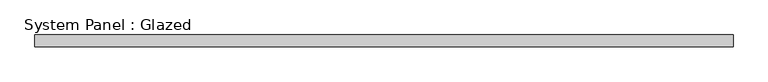
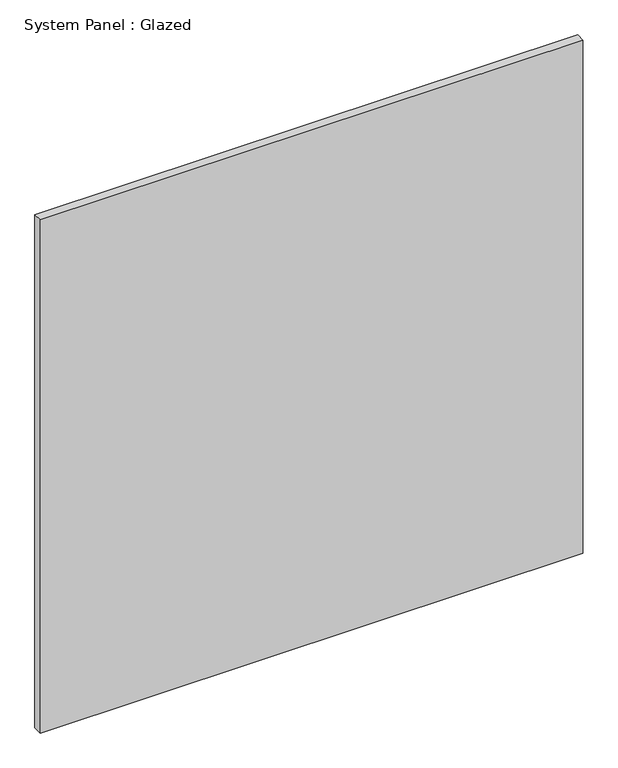
"""IFC4 building model written with IfcOpenShell, lengths in millimetres: plate geometry, System Panel : Glazed."""

import ifcopenshell
import ifcopenshell.guid

model = None  # the IFC model being written
_history = None  # IfcOwnerHistory: only IFC2X3 demands one
_inside = {}  # id of a spatial element -> (the spatial element, [elements in it])
_under = {}  # id of a project, library or spatial element -> (it, [spatial elements below it])
_declared = {}  # id of a project -> (the project, [libraries it declares])
_typed = {}  # id of a type object -> (the type object, [elements of that type])
_made_of = {}  # id of a material, layer set ... -> (it, [elements and type objects made of it])


def new_model(schema):
    """Start an empty IFC model of exactly this schema.

    Asked for "IFC4X3", IfcOpenShell would pick the latest addendum, in which some entities
    have other attributes; the version numbers below select the first issue.
    IFC2X3 requires an IfcOwnerHistory on every rooted entity: one is made here for all.
    """
    global model, _history
    if schema == "IFC4X3":
        model = ifcopenshell.file(schema_version=(4, 3, 0, 0))
    else:
        model = ifcopenshell.file(schema=schema)
    _inside.clear()
    _under.clear()
    _declared.clear()
    _typed.clear()
    _made_of.clear()
    _history = None
    if model.schema == "IFC2X3":
        org = make("IfcOrganization", Name="unknown")
        user = make(
            "IfcPersonAndOrganization",
            ThePerson=make("IfcPerson", FamilyName="unknown"),
            TheOrganization=org,
        )
        app = make(
            "IfcApplication",
            ApplicationDeveloper=org,
            Version="unknown",
            ApplicationFullName="unknown",
            ApplicationIdentifier="unknown",
        )
        _history = make(
            "IfcOwnerHistory",
            OwningUser=user,
            OwningApplication=app,
            ChangeAction="ADDED",
            CreationDate=0,
        )
    return model


def make(cls, **values):
    """One entity of the class cls with the attributes given. An attribute that is None is left unset."""
    return model.create_entity(
        cls, **{name: value for name, value in values.items() if value is not None}
    )


def rooted(cls, **values):
    """An entity with a GlobalId (a new one), such as an element, a storey or a relation."""
    return make(cls, GlobalId=ifcopenshell.guid.new(), OwnerHistory=_history, **values)


def si_unit(unit_type, name, prefix=None):
    """IfcSIUnit, for example si_unit("LENGTHUNIT", "METRE", prefix="MILLI")."""
    return make("IfcSIUnit", UnitType=unit_type, Prefix=prefix, Name=name)


def assignment(units):
    """IfcUnitAssignment: the units of a project."""
    return None if units is None else make("IfcUnitAssignment", Units=units)


def point(xyz):
    """IfcCartesianPoint."""
    return None if xyz is None else make("IfcCartesianPoint", Coordinates=xyz)


def direction(xyz):
    """IfcDirection."""
    return None if xyz is None else make("IfcDirection", DirectionRatios=xyz)


def frame(location, z_axis=None, x_axis=None):
    """IfcAxis2Placement3D, a coordinate frame: its origin and axes. An axis left out is left unset."""
    return make(
        "IfcAxis2Placement3D",
        Location=point(location),
        Axis=direction(z_axis),
        RefDirection=direction(x_axis),
    )


def origin():
    """The frame at (0, 0, 0) with its axes left unset."""
    return frame((0.0, 0.0, 0.0))


def origin_with_axes():
    """The frame at (0, 0, 0) with the z axis (0, 0, 1) and the x axis (1, 0, 0) written out."""
    return frame((0.0, 0.0, 0.0), z_axis=(0.0, 0.0, 1.0), x_axis=(1.0, 0.0, 0.0))


def place(relative_to, where):
    """IfcLocalPlacement: puts the frame where relative to a parent placement (None: the world)."""
    return make(
        "IfcLocalPlacement", PlacementRelTo=relative_to, RelativePlacement=where
    )


def context(
    kind, dimensions, precision=None, world=None, true_north=None, identifier=None
):
    """IfcGeometricRepresentationContext, for example the 3D "Model" context."""
    return make(
        "IfcGeometricRepresentationContext",
        ContextIdentifier=identifier,
        ContextType=kind,
        CoordinateSpaceDimension=dimensions,
        Precision=precision,
        WorldCoordinateSystem=world,
        TrueNorth=true_north,
    )


def project(units=None, contexts=None):
    """IfcProject with its units and contexts."""
    return rooted(
        "IfcProject",
        Name="project",
        RepresentationContexts=contexts,
        UnitsInContext=assignment(units),
    )


def spatial(cls, under=None, at=None, **own):
    """A site, building, storey or space (cls), placed at a placement, below another one or the project."""
    s = rooted(cls, ObjectPlacement=at, **own)
    if under is not None:
        _under.setdefault(under.id(), (under, []))[1].append(s)
    return s


def polyline(points):
    """IfcPolyline through the points."""
    return make("IfcPolyline", Points=[point(p) for p in points])


def outline(outer, holes=None, kind="AREA"):
    """IfcArbitraryClosedProfileDef: a profile drawn as a closed curve; with holes, ...WithVoids."""
    if holes is None:
        return make("IfcArbitraryClosedProfileDef", ProfileType=kind, OuterCurve=outer)
    return make(
        "IfcArbitraryProfileDefWithVoids",
        ProfileType=kind,
        OuterCurve=outer,
        InnerCurves=holes,
    )


def extrude(swept, where, along, depth):
    """IfcExtrudedAreaSolid: the profile swept, set in the frame where, extruded along a direction by depth."""
    return make(
        "IfcExtrudedAreaSolid",
        SweptArea=swept,
        Position=where,
        ExtrudedDirection=direction(along),
        Depth=depth,
    )


def shape(context_of_items, identifier, shape_type, items):
    """IfcShapeRepresentation: the items that make up one representation, for example the "Body"."""
    return make(
        "IfcShapeRepresentation",
        ContextOfItems=context_of_items,
        RepresentationIdentifier=identifier,
        RepresentationType=shape_type,
        Items=items,
    )


def source(mapping_origin, context_of_items, identifier, shape_type, items):
    """IfcRepresentationMap: a shape defined once, which mapped items show again and again."""
    return make(
        "IfcRepresentationMap",
        MappingOrigin=mapping_origin,
        MappedRepresentation=shape(context_of_items, identifier, shape_type, items),
    )


def transform(
    local_origin,
    x_axis=None,
    y_axis=None,
    z_axis=None,
    scale=None,
    scale2=None,
    scale3=None,
    uniform=True,
):
    """IfcCartesianTransformationOperator3D, or its non-uniform kind. x_axis, y_axis, z_axis: its Axis1, 2, 3."""
    if uniform:
        return make(
            "IfcCartesianTransformationOperator3D",
            Axis1=direction(x_axis),
            Axis2=direction(y_axis),
            LocalOrigin=point(local_origin),
            Scale=scale,
            Axis3=direction(z_axis),
        )
    return make(
        "IfcCartesianTransformationOperator3DnonUniform",
        Axis1=direction(x_axis),
        Axis2=direction(y_axis),
        LocalOrigin=point(local_origin),
        Scale=scale,
        Axis3=direction(z_axis),
        Scale2=scale2,
        Scale3=scale3,
    )


def mapped(mapping_source, mapping_target):
    """IfcMappedItem: shows the shape of a source again, moved by a transform."""
    return make(
        "IfcMappedItem", MappingSource=mapping_source, MappingTarget=mapping_target
    )


def made_of(thing, what):
    """Note that an element or type object is made of a material, layer set ...; save() writes the relation."""
    if what is not None:
        _made_of.setdefault(what.id(), (what, []))[1].append(thing)
    return thing


def element(
    cls,
    number,
    at=None,
    inside=None,
    cuts=None,
    type_object=None,
    material=None,
    context=None,
    identifier="Body",
    shape_type=None,
    held_by="IfcProductDefinitionShape",
    body=None,
    shapes=None,
    **own,
):
    """One element of the class cls, such as IfcWall. Its Tag is "e" and its number.

    at: its placement. inside: the storey or other place that contains it. cuts: it is an
    opening in that element (IfcRelVoidsElement). A single representation is given by context,
    identifier, shape_type and body (its items); several are given by shapes. held_by: the class
    of the entity that holds the representations. save() writes the other relations.
    """
    e = rooted(cls, Tag="e%d" % number, ObjectPlacement=at, **own)
    if body is not None:
        shapes = [shape(context, identifier, shape_type, body)]
    if shapes is not None:
        e.Representation = make(held_by, Representations=shapes)
    if inside is not None:
        _inside.setdefault(inside.id(), (inside, []))[1].append(e)
    if cuts is not None:
        rooted(
            "IfcRelVoidsElement", RelatingBuildingElement=cuts, RelatedOpeningElement=e
        )
    if type_object is not None:
        _typed.setdefault(type_object.id(), (type_object, []))[1].append(e)
    return made_of(e, material)


def aggregate(whole, parts):
    """IfcRelAggregates: a whole, such as a stair, and the parts it consists of."""
    return rooted("IfcRelAggregates", RelatingObject=whole, RelatedObjects=parts)


def save(model, path):
    """Write the relations noted so far, then the file.

    IfcRelAggregates (storeys below a building ...), IfcRelContainedInSpatialStructure (elements
    in a storey), IfcRelDefinesByType, IfcRelAssociatesMaterial and IfcRelDeclares: one each for
    every whole, place, type object, material and project.
    """
    for whole, parts in _under.values():
        aggregate(whole, parts)
    for where, things in _inside.values():
        rooted(
            "IfcRelContainedInSpatialStructure",
            RelatedElements=things,
            RelatingStructure=where,
        )
    for kind, things in _typed.values():
        rooted("IfcRelDefinesByType", RelatedObjects=things, RelatingType=kind)
    for what, things in _made_of.values():
        rooted("IfcRelAssociatesMaterial", RelatedObjects=things, RelatingMaterial=what)
    for by, libraries in _declared.values():
        rooted("IfcRelDeclares", RelatingContext=by, RelatedDefinitions=libraries)
    model.write(path)


def system_panel_glazed_8455912a(model_context):
    return source(origin(), model_context, "Body", "SweptSolid", [
        extrude(outline(polyline([(750.0, 19.05), (-750.0, 19.05), (-750.0, 44.45), (750.0, 44.45), (750.0, 19.05)])), origin_with_axes(), (0.0, 0.0, 1.0), 1500.0),
    ])


if __name__ == "__main__":
    model = new_model("IFC4")
    model_context = context("Model", 3, world=origin())
    ifc_project = project(units=[si_unit("LENGTHUNIT", "METRE", prefix="MILLI")], contexts=[model_context])
    site = spatial("IfcSite", under=ifc_project)
    building = spatial("IfcBuilding", under=site)
    placement = place(None, origin())
    system_panel_glazed_shape = system_panel_glazed_8455912a(model_context)
    element("IfcPlate", 1, ObjectType="System Panel : Glazed", at=placement, inside=building, context=model_context, shape_type="MappedRepresentation", body=[
        mapped(system_panel_glazed_shape, transform((0.0, 0.0, 0.0), x_axis=(1.0, 0.0, 0.0), y_axis=(0.0, 1.0, 0.0), z_axis=(0.0, 0.0, 1.0))),
    ])
    save(model, "model.ifc")
